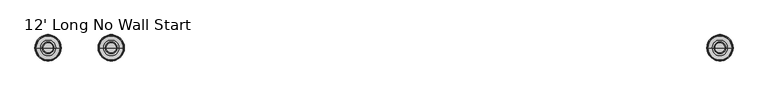
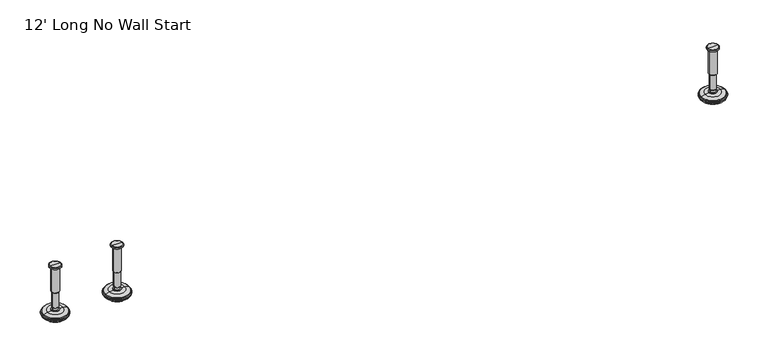
"""IFC4 building model written with IfcOpenShell, lengths in millimetres: furniture geometry, 12' Long No Wall Start."""

from ifc_helpers import new_model, si_unit, frame, origin, place, context, project, spatial, polyline, circle_curve, source, transform, mapped, element, save
from ifc_brep_helpers import plane_surface, cylinder_surface, revolved_surface, advanced_brep


def furniture_12_long_no_wall_start_4eddda02(model_context):
    return source(origin(), model_context, "Body", "AdvancedBrep", [
        advanced_brep(
        [(2495.7364323, 0.0, 101.6), (2504.7143537, 0.0, 101.6), (2486.7585109, 0.0, 101.6), (2509.8406722, 0.0, 0.0206943), (2495.7364323, 0.0, 0.0206943), (2481.6321924, 0.0, 0.0206943), (2514.718704, 0.0, 1.4194474), (2476.7541606, 0.0, 1.4194474), (2518.480619, 0.0, 4.7394056), (2472.9922456, 0.0, 4.7394056), (2519.5980686, 0.0, 7.5051905), (2471.874796, 0.0, 7.5051905), (2519.5980686, 0.0, 8.3065967), (2471.874796, 0.0, 8.3065967), (2518.7556654, 0.0, 9.8469348), (2472.7171992, 0.0, 9.8469348), (2517.6555228, 0.0, 10.8375077), (2473.8173418, 0.0, 10.8375077), (2510.3518276, 0.0, 12.7338946), (2481.121037, 0.0, 12.7338946), (2502.9336762, 0.0, 13.3828987), (2488.5391884, 0.0, 13.3828987), (2502.9336762, 0.0, 14.1772758), (2488.5391884, 0.0, 14.1772758), (2500.5368834, 0.0, 14.1772758), (2490.9359812, 0.0, 14.1772758), (2500.5368834, 0.0, 18.8098403), (2490.9359812, 0.0, 18.8098403), (2501.552736, 0.0, 19.8256929), (2489.9201286, 0.0, 19.8256929), (2501.552736, 0.0, 48.3056352), (2489.9201286, 0.0, 48.3056352), (2502.7762639, 0.0, 49.9293116), (2488.6966007, 0.0, 49.9293116), (2502.7762639, 0.0, 97.327223), (2488.6966007, 0.0, 97.327223), (2503.6573683, 0.0, 97.6479188), (2487.8154963, 0.0, 97.6479188), (2504.7063572, 0.0, 97.6479188), (2486.7665074, 0.0, 97.6479188), (2506.3713871, 0.0, 98.6092242), (2485.1014775, 0.0, 98.6092242), (2506.3713871, 0.0, 100.6043539), (2485.1014775, 0.0, 100.6043539)],
        [
            (0, 1),
            (1, 2, circle_curve(frame((2495.7364323, 0.0, 101.6), z_axis=(0.0, 0.0, 1.0), x_axis=(-1.0, 0.0, 0.0)), 8.9779214)),
            (2, 0),
            (2, 1, circle_curve(frame((2495.7364323, 0.0, 101.6), z_axis=(0.0, 0.0, 1.0), x_axis=(-1.0, 0.0, 0.0)), 8.9779214)),
            (3, 4),
            (4, 5),
            (5, 3, circle_curve(frame((2495.7364323, 0.0, 0.0206943), z_axis=(0.0, 0.0, -1.0), x_axis=(-1.0, 0.0, 0.0)), 14.1042399)),
            (3, 5, circle_curve(frame((2495.7364323, 0.0, 0.0206943), z_axis=(0.0, 0.0, -1.0), x_axis=(-1.0, 0.0, 0.0)), 14.1042399)),
            (6, 3),
            (5, 7),
            (7, 6, circle_curve(frame((2495.7364323, 0.0, 1.4194474), z_axis=(0.0, 0.0, -1.0), x_axis=(-1.0, 0.0, 0.0)), 18.9822717)),
            (6, 7, circle_curve(frame((2495.7364323, 0.0, 1.4194474), z_axis=(0.0, 0.0, -1.0), x_axis=(-1.0, 0.0, 0.0)), 18.9822717)),
            (8, 6),
            (7, 9),
            (9, 8, circle_curve(frame((2495.7364323, 0.0, 4.7394056), z_axis=(0.0, 0.0, -1.0), x_axis=(-1.0, 0.0, 0.0)), 22.7441867)),
            (8, 9, circle_curve(frame((2495.7364323, 0.0, 4.7394056), z_axis=(0.0, 0.0, -1.0), x_axis=(-1.0, 0.0, 0.0)), 22.7441867)),
            (10, 8),
            (9, 11),
            (11, 10, circle_curve(frame((2495.7364323, 0.0, 7.5051905), z_axis=(0.0, 0.0, -1.0), x_axis=(-1.0, 0.0, 0.0)), 23.8616363)),
            (10, 11, circle_curve(frame((2495.7364323, 0.0, 7.5051905), z_axis=(0.0, 0.0, -1.0), x_axis=(-1.0, 0.0, 0.0)), 23.8616363)),
            (12, 10),
            (11, 13),
            (13, 12, circle_curve(frame((2495.7364323, 0.0, 8.3065967), z_axis=(0.0, 0.0, -1.0), x_axis=(-1.0, 0.0, 0.0)), 23.8616363)),
            (12, 13, circle_curve(frame((2495.7364323, 0.0, 8.3065967), z_axis=(0.0, 0.0, -1.0), x_axis=(-1.0, 0.0, 0.0)), 23.8616363)),
            (14, 12),
            (13, 15),
            (15, 14, circle_curve(frame((2495.7364323, 0.0, 9.8469348), z_axis=(0.0, 0.0, -1.0), x_axis=(-1.0, 0.0, 0.0)), 23.0192331)),
            (14, 15, circle_curve(frame((2495.7364323, 0.0, 9.8469348), z_axis=(0.0, 0.0, -1.0), x_axis=(-1.0, 0.0, 0.0)), 23.0192331)),
            (16, 14),
            (15, 17),
            (17, 16, circle_curve(frame((2495.7364323, 0.0, 10.8375077), z_axis=(0.0, 0.0, -1.0), x_axis=(-1.0, 0.0, 0.0)), 21.9190905)),
            (16, 17, circle_curve(frame((2495.7364323, 0.0, 10.8375077), z_axis=(0.0, 0.0, -1.0), x_axis=(-1.0, 0.0, 0.0)), 21.9190905)),
            (18, 16),
            (17, 19),
            (19, 18, circle_curve(frame((2495.7364323, 0.0, 12.7338946), z_axis=(0.0, 0.0, -1.0), x_axis=(-1.0, 0.0, 0.0)), 14.6153953)),
            (18, 19, circle_curve(frame((2495.7364323, 0.0, 12.7338946), z_axis=(0.0, 0.0, -1.0), x_axis=(-1.0, 0.0, 0.0)), 14.6153953)),
            (20, 18),
            (19, 21),
            (21, 20, circle_curve(frame((2495.7364323, 0.0, 13.3828987), z_axis=(0.0, 0.0, -1.0), x_axis=(-1.0, 0.0, 0.0)), 7.1972439)),
            (20, 21, circle_curve(frame((2495.7364323, 0.0, 13.3828987), z_axis=(0.0, 0.0, -1.0), x_axis=(-1.0, 0.0, 0.0)), 7.1972439)),
            (22, 20),
            (21, 23),
            (23, 22, circle_curve(frame((2495.7364323, 0.0, 14.1772758), z_axis=(0.0, 0.0, -1.0), x_axis=(-1.0, 0.0, 0.0)), 7.1972439)),
            (22, 23, circle_curve(frame((2495.7364323, 0.0, 14.1772758), z_axis=(0.0, 0.0, -1.0), x_axis=(-1.0, 0.0, 0.0)), 7.1972439)),
            (24, 22),
            (23, 25),
            (25, 24, circle_curve(frame((2495.7364323, 0.0, 14.1772758), z_axis=(0.0, 0.0, -1.0), x_axis=(-1.0, 0.0, 0.0)), 4.8004511)),
            (24, 25, circle_curve(frame((2495.7364323, 0.0, 14.1772758), z_axis=(0.0, 0.0, -1.0), x_axis=(-1.0, 0.0, 0.0)), 4.8004511)),
            (26, 24),
            (25, 27),
            (27, 26, circle_curve(frame((2495.7364323, 0.0, 18.8098403), z_axis=(0.0, 0.0, -1.0), x_axis=(-1.0, 0.0, 0.0)), 4.8004511)),
            (26, 27, circle_curve(frame((2495.7364323, 0.0, 18.8098403), z_axis=(0.0, 0.0, -1.0), x_axis=(-1.0, 0.0, 0.0)), 4.8004511)),
            (28, 26),
            (27, 29),
            (29, 28, circle_curve(frame((2495.7364323, 0.0, 19.8256929), z_axis=(0.0, 0.0, -1.0), x_axis=(-1.0, 0.0, 0.0)), 5.8163037)),
            (28, 29, circle_curve(frame((2495.7364323, 0.0, 19.8256929), z_axis=(0.0, 0.0, -1.0), x_axis=(-1.0, 0.0, 0.0)), 5.8163037)),
            (30, 28),
            (29, 31),
            (31, 30, circle_curve(frame((2495.7364323, 0.0, 48.3056352), z_axis=(0.0, 0.0, -1.0), x_axis=(-1.0, 0.0, 0.0)), 5.8163037)),
            (30, 31, circle_curve(frame((2495.7364323, 0.0, 48.3056352), z_axis=(0.0, 0.0, -1.0), x_axis=(-1.0, 0.0, 0.0)), 5.8163037)),
            (32, 30),
            (31, 33),
            (33, 32, circle_curve(frame((2495.7364323, 0.0, 49.9293116), z_axis=(0.0, 0.0, -1.0), x_axis=(-1.0, 0.0, 0.0)), 7.0398316)),
            (32, 33, circle_curve(frame((2495.7364323, 0.0, 49.9293116), z_axis=(0.0, 0.0, -1.0), x_axis=(-1.0, 0.0, 0.0)), 7.0398316)),
            (34, 32),
            (33, 35),
            (35, 34, circle_curve(frame((2495.7364323, 0.0, 97.327223), z_axis=(0.0, 0.0, -1.0), x_axis=(-1.0, 0.0, 0.0)), 7.0398316)),
            (34, 35, circle_curve(frame((2495.7364323, 0.0, 97.327223), z_axis=(0.0, 0.0, -1.0), x_axis=(-1.0, 0.0, 0.0)), 7.0398316)),
            (36, 34),
            (35, 37),
            (37, 36, circle_curve(frame((2495.7364323, 0.0, 97.6479188), z_axis=(0.0, 0.0, -1.0), x_axis=(-1.0, 0.0, 0.0)), 7.920936)),
            (36, 37, circle_curve(frame((2495.7364323, 0.0, 97.6479188), z_axis=(0.0, 0.0, -1.0), x_axis=(-1.0, 0.0, 0.0)), 7.920936)),
            (38, 36),
            (37, 39),
            (39, 38, circle_curve(frame((2495.7364323, 0.0, 97.6479188), z_axis=(0.0, 0.0, -1.0), x_axis=(-1.0, 0.0, 0.0)), 8.9699249)),
            (38, 39, circle_curve(frame((2495.7364323, 0.0, 97.6479188), z_axis=(0.0, 0.0, -1.0), x_axis=(-1.0, 0.0, 0.0)), 8.9699249)),
            (40, 38),
            (39, 41),
            (41, 40, circle_curve(frame((2495.7364323, 0.0, 98.6092242), z_axis=(0.0, 0.0, -1.0), x_axis=(-1.0, 0.0, 0.0)), 10.6349548)),
            (40, 41, circle_curve(frame((2495.7364323, 0.0, 98.6092242), z_axis=(0.0, 0.0, -1.0), x_axis=(-1.0, 0.0, 0.0)), 10.6349548)),
            (42, 40),
            (41, 43),
            (43, 42, circle_curve(frame((2495.7364323, 0.0, 100.6043539), z_axis=(0.0, 0.0, -1.0), x_axis=(-1.0, 0.0, 0.0)), 10.6349548)),
            (42, 43, circle_curve(frame((2495.7364323, 0.0, 100.6043539), z_axis=(0.0, 0.0, -1.0), x_axis=(-1.0, 0.0, 0.0)), 10.6349548)),
            (1, 42),
            (43, 2),
        ],
        [
            plane_surface(frame((2495.7364323, 0.0, 101.6), z_axis=(0.0, 0.0, 1.0), x_axis=(-1.0, 0.0, 0.0))),
            plane_surface(frame((2495.7364323, 0.0, 0.0206943), z_axis=(0.0, 0.0, -1.0), x_axis=(-1.0, 0.0, 0.0))),
            revolved_surface(polyline([(2481.6321924, 0.0, 0.0206943), (2476.7541606, 0.0, 1.4194474)]), (2495.7364323, 0.0, 101.6), (0.0, 0.0, 1.0)),
            revolved_surface(polyline([(2476.7541606, 0.0, 1.4194474), (2472.9922456, 0.0, 4.7394056)]), (2495.7364323, 0.0, 101.6), (0.0, 0.0, 1.0)),
            revolved_surface(polyline([(2472.9922456, 0.0, 4.7394056), (2471.874796, 0.0, 7.5051905)]), (2495.7364323, 0.0, 101.6), (0.0, 0.0, 1.0)),
            cylinder_surface(frame((2495.7364323, 0.0, 101.6), z_axis=(0.0, 0.0, 1.0), x_axis=(-1.0, 0.0, 0.0)), 23.8616363),
            revolved_surface(polyline([(2471.874796, 0.0, 8.3065967), (2472.7171992, 0.0, 9.8469348)]), (2495.7364323, 0.0, 101.6), (0.0, 0.0, 1.0)),
            revolved_surface(polyline([(2472.7171992, 0.0, 9.8469348), (2473.8173418, 0.0, 10.8375077)]), (2495.7364323, 0.0, 101.6), (0.0, 0.0, 1.0)),
            revolved_surface(polyline([(2473.8173418, 0.0, 10.8375077), (2481.121037, 0.0, 12.7338946)]), (2495.7364323, 0.0, 101.6), (0.0, 0.0, 1.0)),
            revolved_surface(polyline([(2481.121037, 0.0, 12.7338946), (2488.5391884, 0.0, 13.3828987)]), (2495.7364323, 0.0, 101.6), (0.0, 0.0, 1.0)),
            cylinder_surface(frame((2495.7364323, 0.0, 101.6), z_axis=(0.0, 0.0, 1.0), x_axis=(-1.0, 0.0, 0.0)), 7.1972439),
            plane_surface(frame((2495.7364323, 0.0, 14.1772758), z_axis=(0.0, 0.0, 1.0), x_axis=(-1.0, 0.0, 0.0))),
            cylinder_surface(frame((2495.7364323, 0.0, 101.6), z_axis=(0.0, 0.0, 1.0), x_axis=(-1.0, 0.0, 0.0)), 4.8004511),
            revolved_surface(polyline([(2490.9359812, 0.0, 18.8098403), (2489.9201286, 0.0, 19.8256929)]), (2495.7364323, 0.0, 101.6), (0.0, 0.0, 1.0)),
            cylinder_surface(frame((2495.7364323, 0.0, 101.6), z_axis=(0.0, 0.0, 1.0), x_axis=(-1.0, 0.0, 0.0)), 5.8163037),
            revolved_surface(polyline([(2489.9201286, 0.0, 48.3056352), (2488.6966007, 0.0, 49.9293116)]), (2495.7364323, 0.0, 101.6), (0.0, 0.0, 1.0)),
            cylinder_surface(frame((2495.7364323, 0.0, 101.6), z_axis=(0.0, 0.0, 1.0), x_axis=(-1.0, 0.0, 0.0)), 7.0398316),
            revolved_surface(polyline([(2488.6966007, 0.0, 97.327223), (2487.8154963, 0.0, 97.6479188)]), (2495.7364323, 0.0, 101.6), (0.0, 0.0, 1.0)),
            plane_surface(frame((2495.7364323, 0.0, 97.6479188), z_axis=(0.0, 0.0, -1.0), x_axis=(-1.0, 0.0, 0.0))),
            revolved_surface(polyline([(2486.7665074, 0.0, 97.6479188), (2485.1014775, 0.0, 98.6092242)]), (2495.7364323, 0.0, 101.6), (0.0, 0.0, 1.0)),
            cylinder_surface(frame((2495.7364323, 0.0, 101.6), z_axis=(0.0, 0.0, 1.0), x_axis=(-1.0, 0.0, 0.0)), 10.6349548),
            revolved_surface(polyline([(2485.1014775, 0.0, 100.6043539), (2486.7585109, 0.0, 101.6)]), (2495.7364323, 0.0, 101.6), (0.0, 0.0, 1.0)),
        ],
        [
            (0, [[1, 2, 3]]),
            (0, [[-3, 4, -1]]),
            (1, [[5, 6, 7]]),
            (1, [[-6, -5, 8]]),
            (2, [[9, -7, 10, 11]]),
            (2, [[-10, -8, -9, 12]]),
            (3, [[13, -11, 14, 15]]),
            (3, [[-14, -12, -13, 16]]),
            (4, [[17, -15, 18, 19]]),
            (4, [[-18, -16, -17, 20]]),
            (5, [[21, -19, 22, 23]]),
            (5, [[-22, -20, -21, 24]]),
            (6, [[25, -23, 26, 27]]),
            (6, [[-26, -24, -25, 28]]),
            (7, [[29, -27, 30, 31]]),
            (7, [[-30, -28, -29, 32]]),
            (8, [[33, -31, 34, 35]]),
            (8, [[-34, -32, -33, 36]]),
            (9, [[37, -35, 38, 39]]),
            (9, [[-38, -36, -37, 40]]),
            (10, [[41, -39, 42, 43]]),
            (10, [[-42, -40, -41, 44]]),
            (11, [[45, -43, 46, 47]]),
            (11, [[-46, -44, -45, 48]]),
            (12, [[49, -47, 50, 51]]),
            (12, [[-50, -48, -49, 52]]),
            (13, [[53, -51, 54, 55]]),
            (13, [[-54, -52, -53, 56]]),
            (14, [[57, -55, 58, 59]]),
            (14, [[-58, -56, -57, 60]]),
            (15, [[61, -59, 62, 63]]),
            (15, [[-62, -60, -61, 64]]),
            (16, [[65, -63, 66, 67]]),
            (16, [[-66, -64, -65, 68]]),
            (17, [[69, -67, 70, 71]]),
            (17, [[-70, -68, -69, 72]]),
            (18, [[73, -71, 74, 75]]),
            (18, [[-74, -72, -73, 76]]),
            (19, [[77, -75, 78, 79]]),
            (19, [[-78, -76, -77, 80]]),
            (20, [[81, -79, 82, 83]]),
            (20, [[-82, -80, -81, 84]]),
            (21, [[85, -83, 86, -2]]),
            (21, [[-86, -84, -85, -4]]),
        ],
    ),
        advanced_brep(
        [(2381.0635677, 0.0, 101.6), (2390.0414891, 0.0, 101.6), (2372.0856463, 0.0, 101.6), (2366.9593278, 0.0, 0.0206943), (2395.1678076, 0.0, 0.0206943), (2381.0635677, 0.0, 0.0206943), (2362.081296, 0.0, 1.4194474), (2400.0458394, 0.0, 1.4194474), (2358.319381, 0.0, 4.7394056), (2403.8077544, 0.0, 4.7394056), (2357.2019314, 0.0, 7.5051905), (2404.925204, 0.0, 7.5051905), (2357.2019314, 0.0, 8.3065967), (2404.925204, 0.0, 8.3065967), (2358.0443346, 0.0, 9.8469348), (2404.0828008, 0.0, 9.8469348), (2359.1444772, 0.0, 10.8375077), (2402.9826582, 0.0, 10.8375077), (2366.4481724, 0.0, 12.7338946), (2395.678963, 0.0, 12.7338946), (2373.8663238, 0.0, 13.3828987), (2388.2608116, 0.0, 13.3828987), (2373.8663238, 0.0, 14.1772758), (2388.2608116, 0.0, 14.1772758), (2376.2631166, 0.0, 14.1772758), (2385.8640188, 0.0, 14.1772758), (2376.2631166, 0.0, 18.8098403), (2385.8640188, 0.0, 18.8098403), (2375.247264, 0.0, 19.8256929), (2386.8798714, 0.0, 19.8256929), (2375.247264, 0.0, 48.3056352), (2386.8798714, 0.0, 48.3056352), (2374.0237361, 0.0, 49.9293116), (2388.1033993, 0.0, 49.9293116), (2374.0237361, 0.0, 97.327223), (2388.1033993, 0.0, 97.327223), (2373.1426317, 0.0, 97.6479188), (2388.9845037, 0.0, 97.6479188), (2372.0936428, 0.0, 97.6479188), (2390.0334926, 0.0, 97.6479188), (2370.4286129, 0.0, 98.6092242), (2391.6985225, 0.0, 98.6092242), (2370.4286129, 0.0, 100.6043539), (2391.6985225, 0.0, 100.6043539)],
        [
            (0, 1),
            (1, 2, circle_curve(frame((2381.0635677, 0.0, 101.6), z_axis=(0.0, 0.0, 1.0), x_axis=(1.0, 0.0, 0.0)), 8.9779214)),
            (2, 0),
            (2, 1, circle_curve(frame((2381.0635677, 0.0, 101.6), z_axis=(0.0, 0.0, 1.0), x_axis=(1.0, 0.0, 0.0)), 8.9779214)),
            (3, 4, circle_curve(frame((2381.0635677, 0.0, 0.0206943), z_axis=(0.0, 0.0, -1.0), x_axis=(1.0, 0.0, 0.0)), 14.1042399)),
            (4, 5),
            (5, 3),
            (4, 3, circle_curve(frame((2381.0635677, 0.0, 0.0206943), z_axis=(0.0, 0.0, -1.0), x_axis=(1.0, 0.0, 0.0)), 14.1042399)),
            (6, 7, circle_curve(frame((2381.0635677, 0.0, 1.4194474), z_axis=(0.0, 0.0, -1.0), x_axis=(1.0, 0.0, 0.0)), 18.9822717)),
            (7, 4),
            (3, 6),
            (7, 6, circle_curve(frame((2381.0635677, 0.0, 1.4194474), z_axis=(0.0, 0.0, -1.0), x_axis=(1.0, 0.0, 0.0)), 18.9822717)),
            (8, 9, circle_curve(frame((2381.0635677, 0.0, 4.7394056), z_axis=(0.0, 0.0, -1.0), x_axis=(1.0, 0.0, 0.0)), 22.7441867)),
            (9, 7),
            (6, 8),
            (9, 8, circle_curve(frame((2381.0635677, 0.0, 4.7394056), z_axis=(0.0, 0.0, -1.0), x_axis=(1.0, 0.0, 0.0)), 22.7441867)),
            (10, 11, circle_curve(frame((2381.0635677, 0.0, 7.5051905), z_axis=(0.0, 0.0, -1.0), x_axis=(1.0, 0.0, 0.0)), 23.8616363)),
            (11, 9),
            (8, 10),
            (11, 10, circle_curve(frame((2381.0635677, 0.0, 7.5051905), z_axis=(0.0, 0.0, -1.0), x_axis=(1.0, 0.0, 0.0)), 23.8616363)),
            (12, 13, circle_curve(frame((2381.0635677, 0.0, 8.3065967), z_axis=(0.0, 0.0, -1.0), x_axis=(1.0, 0.0, 0.0)), 23.8616363)),
            (13, 11),
            (10, 12),
            (13, 12, circle_curve(frame((2381.0635677, 0.0, 8.3065967), z_axis=(0.0, 0.0, -1.0), x_axis=(1.0, 0.0, 0.0)), 23.8616363)),
            (14, 15, circle_curve(frame((2381.0635677, 0.0, 9.8469348), z_axis=(0.0, 0.0, -1.0), x_axis=(1.0, 0.0, 0.0)), 23.0192331)),
            (15, 13),
            (12, 14),
            (15, 14, circle_curve(frame((2381.0635677, 0.0, 9.8469348), z_axis=(0.0, 0.0, -1.0), x_axis=(1.0, 0.0, 0.0)), 23.0192331)),
            (16, 17, circle_curve(frame((2381.0635677, 0.0, 10.8375077), z_axis=(0.0, 0.0, -1.0), x_axis=(1.0, 0.0, 0.0)), 21.9190905)),
            (17, 15),
            (14, 16),
            (17, 16, circle_curve(frame((2381.0635677, 0.0, 10.8375077), z_axis=(0.0, 0.0, -1.0), x_axis=(1.0, 0.0, 0.0)), 21.9190905)),
            (18, 19, circle_curve(frame((2381.0635677, 0.0, 12.7338946), z_axis=(0.0, 0.0, -1.0), x_axis=(1.0, 0.0, 0.0)), 14.6153953)),
            (19, 17),
            (16, 18),
            (19, 18, circle_curve(frame((2381.0635677, 0.0, 12.7338946), z_axis=(0.0, 0.0, -1.0), x_axis=(1.0, 0.0, 0.0)), 14.6153953)),
            (20, 21, circle_curve(frame((2381.0635677, 0.0, 13.3828987), z_axis=(0.0, 0.0, -1.0), x_axis=(1.0, 0.0, 0.0)), 7.1972439)),
            (21, 19),
            (18, 20),
            (21, 20, circle_curve(frame((2381.0635677, 0.0, 13.3828987), z_axis=(0.0, 0.0, -1.0), x_axis=(1.0, 0.0, 0.0)), 7.1972439)),
            (22, 23, circle_curve(frame((2381.0635677, 0.0, 14.1772758), z_axis=(0.0, 0.0, -1.0), x_axis=(1.0, 0.0, 0.0)), 7.1972439)),
            (23, 21),
            (20, 22),
            (23, 22, circle_curve(frame((2381.0635677, 0.0, 14.1772758), z_axis=(0.0, 0.0, -1.0), x_axis=(1.0, 0.0, 0.0)), 7.1972439)),
            (24, 25, circle_curve(frame((2381.0635677, 0.0, 14.1772758), z_axis=(0.0, 0.0, -1.0), x_axis=(1.0, 0.0, 0.0)), 4.8004511)),
            (25, 23),
            (22, 24),
            (25, 24, circle_curve(frame((2381.0635677, 0.0, 14.1772758), z_axis=(0.0, 0.0, -1.0), x_axis=(1.0, 0.0, 0.0)), 4.8004511)),
            (26, 27, circle_curve(frame((2381.0635677, 0.0, 18.8098403), z_axis=(0.0, 0.0, -1.0), x_axis=(1.0, 0.0, 0.0)), 4.8004511)),
            (27, 25),
            (24, 26),
            (27, 26, circle_curve(frame((2381.0635677, 0.0, 18.8098403), z_axis=(0.0, 0.0, -1.0), x_axis=(1.0, 0.0, 0.0)), 4.8004511)),
            (28, 29, circle_curve(frame((2381.0635677, 0.0, 19.8256929), z_axis=(0.0, 0.0, -1.0), x_axis=(1.0, 0.0, 0.0)), 5.8163037)),
            (29, 27),
            (26, 28),
            (29, 28, circle_curve(frame((2381.0635677, 0.0, 19.8256929), z_axis=(0.0, 0.0, -1.0), x_axis=(1.0, 0.0, 0.0)), 5.8163037)),
            (30, 31, circle_curve(frame((2381.0635677, 0.0, 48.3056352), z_axis=(0.0, 0.0, -1.0), x_axis=(1.0, 0.0, 0.0)), 5.8163037)),
            (31, 29),
            (28, 30),
            (31, 30, circle_curve(frame((2381.0635677, 0.0, 48.3056352), z_axis=(0.0, 0.0, -1.0), x_axis=(1.0, 0.0, 0.0)), 5.8163037)),
            (32, 33, circle_curve(frame((2381.0635677, 0.0, 49.9293116), z_axis=(0.0, 0.0, -1.0), x_axis=(1.0, 0.0, 0.0)), 7.0398316)),
            (33, 31),
            (30, 32),
            (33, 32, circle_curve(frame((2381.0635677, 0.0, 49.9293116), z_axis=(0.0, 0.0, -1.0), x_axis=(1.0, 0.0, 0.0)), 7.0398316)),
            (34, 35, circle_curve(frame((2381.0635677, 0.0, 97.327223), z_axis=(0.0, 0.0, -1.0), x_axis=(1.0, 0.0, 0.0)), 7.0398316)),
            (35, 33),
            (32, 34),
            (35, 34, circle_curve(frame((2381.0635677, 0.0, 97.327223), z_axis=(0.0, 0.0, -1.0), x_axis=(1.0, 0.0, 0.0)), 7.0398316)),
            (36, 37, circle_curve(frame((2381.0635677, 0.0, 97.6479188), z_axis=(0.0, 0.0, -1.0), x_axis=(1.0, 0.0, 0.0)), 7.920936)),
            (37, 35),
            (34, 36),
            (37, 36, circle_curve(frame((2381.0635677, 0.0, 97.6479188), z_axis=(0.0, 0.0, -1.0), x_axis=(1.0, 0.0, 0.0)), 7.920936)),
            (38, 39, circle_curve(frame((2381.0635677, 0.0, 97.6479188), z_axis=(0.0, 0.0, -1.0), x_axis=(1.0, 0.0, 0.0)), 8.9699249)),
            (39, 37),
            (36, 38),
            (39, 38, circle_curve(frame((2381.0635677, 0.0, 97.6479188), z_axis=(0.0, 0.0, -1.0), x_axis=(1.0, 0.0, 0.0)), 8.9699249)),
            (40, 41, circle_curve(frame((2381.0635677, 0.0, 98.6092242), z_axis=(0.0, 0.0, -1.0), x_axis=(1.0, 0.0, 0.0)), 10.6349548)),
            (41, 39),
            (38, 40),
            (41, 40, circle_curve(frame((2381.0635677, 0.0, 98.6092242), z_axis=(0.0, 0.0, -1.0), x_axis=(1.0, 0.0, 0.0)), 10.6349548)),
            (42, 43, circle_curve(frame((2381.0635677, 0.0, 100.6043539), z_axis=(0.0, 0.0, -1.0), x_axis=(1.0, 0.0, 0.0)), 10.6349548)),
            (43, 41),
            (40, 42),
            (43, 42, circle_curve(frame((2381.0635677, 0.0, 100.6043539), z_axis=(0.0, 0.0, -1.0), x_axis=(1.0, 0.0, 0.0)), 10.6349548)),
            (1, 43),
            (42, 2),
        ],
        [
            plane_surface(frame((2381.0635677, 0.0, 101.6), z_axis=(0.0, 0.0, 1.0), x_axis=(1.0, 0.0, 0.0))),
            plane_surface(frame((2381.0635677, 0.0, 0.0206943), z_axis=(0.0, 0.0, -1.0), x_axis=(1.0, 0.0, 0.0))),
            revolved_surface(polyline([(2395.1678076, 0.0, 0.0206943), (2400.0458394, 0.0, 1.4194474)]), (2381.0635677, 0.0, 101.6), (0.0, 0.0, 1.0)),
            revolved_surface(polyline([(2400.0458394, 0.0, 1.4194474), (2403.8077544, 0.0, 4.7394056)]), (2381.0635677, 0.0, 101.6), (0.0, 0.0, 1.0)),
            revolved_surface(polyline([(2403.8077544, 0.0, 4.7394056), (2404.925204, 0.0, 7.5051905)]), (2381.0635677, 0.0, 101.6), (0.0, 0.0, 1.0)),
            cylinder_surface(frame((2381.0635677, 0.0, 101.6), z_axis=(0.0, 0.0, 1.0), x_axis=(1.0, 0.0, 0.0)), 23.8616363),
            revolved_surface(polyline([(2404.925204, 0.0, 8.3065967), (2404.0828008, 0.0, 9.8469348)]), (2381.0635677, 0.0, 101.6), (0.0, 0.0, 1.0)),
            revolved_surface(polyline([(2404.0828008, 0.0, 9.8469348), (2402.9826582, 0.0, 10.8375077)]), (2381.0635677, 0.0, 101.6), (0.0, 0.0, 1.0)),
            revolved_surface(polyline([(2402.9826582, 0.0, 10.8375077), (2395.678963, 0.0, 12.7338946)]), (2381.0635677, 0.0, 101.6), (0.0, 0.0, 1.0)),
            revolved_surface(polyline([(2395.678963, 0.0, 12.7338946), (2388.2608116, 0.0, 13.3828987)]), (2381.0635677, 0.0, 101.6), (0.0, 0.0, 1.0)),
            cylinder_surface(frame((2381.0635677, 0.0, 101.6), z_axis=(0.0, 0.0, 1.0), x_axis=(1.0, 0.0, 0.0)), 7.1972439),
            plane_surface(frame((2381.0635677, 0.0, 14.1772758), z_axis=(0.0, 0.0, 1.0), x_axis=(1.0, 0.0, 0.0))),
            cylinder_surface(frame((2381.0635677, 0.0, 101.6), z_axis=(0.0, 0.0, 1.0), x_axis=(1.0, 0.0, 0.0)), 4.8004511),
            revolved_surface(polyline([(2385.8640188, 0.0, 18.8098403), (2386.8798714, 0.0, 19.8256929)]), (2381.0635677, 0.0, 101.6), (0.0, 0.0, 1.0)),
            cylinder_surface(frame((2381.0635677, 0.0, 101.6), z_axis=(0.0, 0.0, 1.0), x_axis=(1.0, 0.0, 0.0)), 5.8163037),
            revolved_surface(polyline([(2386.8798714, 0.0, 48.3056352), (2388.1033993, 0.0, 49.9293116)]), (2381.0635677, 0.0, 101.6), (0.0, 0.0, 1.0)),
            cylinder_surface(frame((2381.0635677, 0.0, 101.6), z_axis=(0.0, 0.0, 1.0), x_axis=(1.0, 0.0, 0.0)), 7.0398316),
            revolved_surface(polyline([(2388.1033993, 0.0, 97.327223), (2388.9845037, 0.0, 97.6479188)]), (2381.0635677, 0.0, 101.6), (0.0, 0.0, 1.0)),
            plane_surface(frame((2381.0635677, 0.0, 97.6479188), z_axis=(0.0, 0.0, -1.0), x_axis=(1.0, 0.0, 0.0))),
            revolved_surface(polyline([(2390.0334926, 0.0, 97.6479188), (2391.6985225, 0.0, 98.6092242)]), (2381.0635677, 0.0, 101.6), (0.0, 0.0, 1.0)),
            cylinder_surface(frame((2381.0635677, 0.0, 101.6), z_axis=(0.0, 0.0, 1.0), x_axis=(1.0, 0.0, 0.0)), 10.6349548),
            revolved_surface(polyline([(2391.6985225, 0.0, 100.6043539), (2390.0414891, 0.0, 101.6)]), (2381.0635677, 0.0, 101.6), (0.0, 0.0, 1.0)),
        ],
        [
            (0, [[1, 2, 3]]),
            (0, [[-3, 4, -1]]),
            (1, [[5, 6, 7]]),
            (1, [[8, -7, -6]]),
            (2, [[9, 10, -5, 11]]),
            (2, [[12, -11, -8, -10]]),
            (3, [[13, 14, -9, 15]]),
            (3, [[16, -15, -12, -14]]),
            (4, [[17, 18, -13, 19]]),
            (4, [[20, -19, -16, -18]]),
            (5, [[21, 22, -17, 23]]),
            (5, [[24, -23, -20, -22]]),
            (6, [[25, 26, -21, 27]]),
            (6, [[28, -27, -24, -26]]),
            (7, [[29, 30, -25, 31]]),
            (7, [[32, -31, -28, -30]]),
            (8, [[33, 34, -29, 35]]),
            (8, [[36, -35, -32, -34]]),
            (9, [[37, 38, -33, 39]]),
            (9, [[40, -39, -36, -38]]),
            (10, [[41, 42, -37, 43]]),
            (10, [[44, -43, -40, -42]]),
            (11, [[45, 46, -41, 47]]),
            (11, [[48, -47, -44, -46]]),
            (12, [[49, 50, -45, 51]]),
            (12, [[52, -51, -48, -50]]),
            (13, [[53, 54, -49, 55]]),
            (13, [[56, -55, -52, -54]]),
            (14, [[57, 58, -53, 59]]),
            (14, [[60, -59, -56, -58]]),
            (15, [[61, 62, -57, 63]]),
            (15, [[64, -63, -60, -62]]),
            (16, [[65, 66, -61, 67]]),
            (16, [[68, -67, -64, -66]]),
            (17, [[69, 70, -65, 71]]),
            (17, [[72, -71, -68, -70]]),
            (18, [[73, 74, -69, 75]]),
            (18, [[76, -75, -72, -74]]),
            (19, [[77, 78, -73, 79]]),
            (19, [[80, -79, -76, -78]]),
            (20, [[81, 82, -77, 83]]),
            (20, [[84, -83, -80, -82]]),
            (21, [[-2, 85, -81, 86]]),
            (21, [[-4, -86, -84, -85]]),
        ],
    ),
        advanced_brep(
        [(3600.5372135, 0.0, 101.6), (3609.515135, 0.0, 101.6), (3591.5592921, 0.0, 101.6), (3614.6414535, 0.0, 0.0206943), (3600.5372135, 0.0, 0.0206943), (3586.4329736, 0.0, 0.0206943), (3619.5194852, 0.0, 1.4194474), (3581.5549419, 0.0, 1.4194474), (3623.2814003, 0.0, 4.7394056), (3577.7930268, 0.0, 4.7394056), (3624.3988499, 0.0, 7.5051905), (3576.6755772, 0.0, 7.5051905), (3624.3988499, 0.0, 8.3065967), (3576.6755772, 0.0, 8.3065967), (3623.5564467, 0.0, 9.8469348), (3577.5179804, 0.0, 9.8469348), (3622.456304, 0.0, 10.8375077), (3578.6181231, 0.0, 10.8375077), (3615.1526088, 0.0, 12.7338946), (3585.9218183, 0.0, 12.7338946), (3607.7344574, 0.0, 13.3828987), (3593.3399696, 0.0, 13.3828987), (3607.7344574, 0.0, 14.1772758), (3593.3399696, 0.0, 14.1772758), (3605.3376646, 0.0, 14.1772758), (3595.7367625, 0.0, 14.1772758), (3605.3376646, 0.0, 18.8098403), (3595.7367625, 0.0, 18.8098403), (3606.3535173, 0.0, 19.8256929), (3594.7209098, 0.0, 19.8256929), (3606.3535173, 0.0, 48.3056352), (3594.7209098, 0.0, 48.3056352), (3607.5770452, 0.0, 49.9293116), (3593.4973819, 0.0, 49.9293116), (3607.5770452, 0.0, 97.327223), (3593.4973819, 0.0, 97.327223), (3608.4581495, 0.0, 97.6479188), (3592.6162776, 0.0, 97.6479188), (3609.5071385, 0.0, 97.6479188), (3591.5672886, 0.0, 97.6479188), (3611.1721684, 0.0, 98.6092242), (3589.9022587, 0.0, 98.6092242), (3611.1721684, 0.0, 100.6043539), (3589.9022587, 0.0, 100.6043539)],
        [
            (0, 1),
            (1, 2, circle_curve(frame((3600.5372135, 0.0, 101.6), z_axis=(0.0, 0.0, 1.0), x_axis=(-1.0, 0.0, 0.0)), 8.9779214)),
            (2, 0),
            (2, 1, circle_curve(frame((3600.5372135, 0.0, 101.6), z_axis=(0.0, 0.0, 1.0), x_axis=(-1.0, 0.0, 0.0)), 8.9779214)),
            (3, 4),
            (4, 5),
            (5, 3, circle_curve(frame((3600.5372135, 0.0, 0.0206943), z_axis=(0.0, 0.0, -1.0), x_axis=(-1.0, 0.0, 0.0)), 14.1042399)),
            (3, 5, circle_curve(frame((3600.5372135, 0.0, 0.0206943), z_axis=(0.0, 0.0, -1.0), x_axis=(-1.0, 0.0, 0.0)), 14.1042399)),
            (6, 3),
            (5, 7),
            (7, 6, circle_curve(frame((3600.5372135, 0.0, 1.4194474), z_axis=(0.0, 0.0, -1.0), x_axis=(-1.0, 0.0, 0.0)), 18.9822717)),
            (6, 7, circle_curve(frame((3600.5372135, 0.0, 1.4194474), z_axis=(0.0, 0.0, -1.0), x_axis=(-1.0, 0.0, 0.0)), 18.9822717)),
            (8, 6),
            (7, 9),
            (9, 8, circle_curve(frame((3600.5372135, 0.0, 4.7394056), z_axis=(0.0, 0.0, -1.0), x_axis=(-1.0, 0.0, 0.0)), 22.7441867)),
            (8, 9, circle_curve(frame((3600.5372135, 0.0, 4.7394056), z_axis=(0.0, 0.0, -1.0), x_axis=(-1.0, 0.0, 0.0)), 22.7441867)),
            (10, 8),
            (9, 11),
            (11, 10, circle_curve(frame((3600.5372135, 0.0, 7.5051905), z_axis=(0.0, 0.0, -1.0), x_axis=(-1.0, 0.0, 0.0)), 23.8616363)),
            (10, 11, circle_curve(frame((3600.5372135, 0.0, 7.5051905), z_axis=(0.0, 0.0, -1.0), x_axis=(-1.0, 0.0, 0.0)), 23.8616363)),
            (12, 10),
            (11, 13),
            (13, 12, circle_curve(frame((3600.5372135, 0.0, 8.3065967), z_axis=(0.0, 0.0, -1.0), x_axis=(-1.0, 0.0, 0.0)), 23.8616363)),
            (12, 13, circle_curve(frame((3600.5372135, 0.0, 8.3065967), z_axis=(0.0, 0.0, -1.0), x_axis=(-1.0, 0.0, 0.0)), 23.8616363)),
            (14, 12),
            (13, 15),
            (15, 14, circle_curve(frame((3600.5372135, 0.0, 9.8469348), z_axis=(0.0, 0.0, -1.0), x_axis=(-1.0, 0.0, 0.0)), 23.0192331)),
            (14, 15, circle_curve(frame((3600.5372135, 0.0, 9.8469348), z_axis=(0.0, 0.0, -1.0), x_axis=(-1.0, 0.0, 0.0)), 23.0192331)),
            (16, 14),
            (15, 17),
            (17, 16, circle_curve(frame((3600.5372135, 0.0, 10.8375077), z_axis=(0.0, 0.0, -1.0), x_axis=(-1.0, 0.0, 0.0)), 21.9190905)),
            (16, 17, circle_curve(frame((3600.5372135, 0.0, 10.8375077), z_axis=(0.0, 0.0, -1.0), x_axis=(-1.0, 0.0, 0.0)), 21.9190905)),
            (18, 16),
            (17, 19),
            (19, 18, circle_curve(frame((3600.5372135, 0.0, 12.7338946), z_axis=(0.0, 0.0, -1.0), x_axis=(-1.0, 0.0, 0.0)), 14.6153953)),
            (18, 19, circle_curve(frame((3600.5372135, 0.0, 12.7338946), z_axis=(0.0, 0.0, -1.0), x_axis=(-1.0, 0.0, 0.0)), 14.6153953)),
            (20, 18),
            (19, 21),
            (21, 20, circle_curve(frame((3600.5372135, 0.0, 13.3828987), z_axis=(0.0, 0.0, -1.0), x_axis=(-1.0, 0.0, 0.0)), 7.1972439)),
            (20, 21, circle_curve(frame((3600.5372135, 0.0, 13.3828987), z_axis=(0.0, 0.0, -1.0), x_axis=(-1.0, 0.0, 0.0)), 7.1972439)),
            (22, 20),
            (21, 23),
            (23, 22, circle_curve(frame((3600.5372135, 0.0, 14.1772758), z_axis=(0.0, 0.0, -1.0), x_axis=(-1.0, 0.0, 0.0)), 7.1972439)),
            (22, 23, circle_curve(frame((3600.5372135, 0.0, 14.1772758), z_axis=(0.0, 0.0, -1.0), x_axis=(-1.0, 0.0, 0.0)), 7.1972439)),
            (24, 22),
            (23, 25),
            (25, 24, circle_curve(frame((3600.5372135, 0.0, 14.1772758), z_axis=(0.0, 0.0, -1.0), x_axis=(-1.0, 0.0, 0.0)), 4.8004511)),
            (24, 25, circle_curve(frame((3600.5372135, 0.0, 14.1772758), z_axis=(0.0, 0.0, -1.0), x_axis=(-1.0, 0.0, 0.0)), 4.8004511)),
            (26, 24),
            (25, 27),
            (27, 26, circle_curve(frame((3600.5372135, 0.0, 18.8098403), z_axis=(0.0, 0.0, -1.0), x_axis=(-1.0, 0.0, 0.0)), 4.8004511)),
            (26, 27, circle_curve(frame((3600.5372135, 0.0, 18.8098403), z_axis=(0.0, 0.0, -1.0), x_axis=(-1.0, 0.0, 0.0)), 4.8004511)),
            (28, 26),
            (27, 29),
            (29, 28, circle_curve(frame((3600.5372135, 0.0, 19.8256929), z_axis=(0.0, 0.0, -1.0), x_axis=(-1.0, 0.0, 0.0)), 5.8163037)),
            (28, 29, circle_curve(frame((3600.5372135, 0.0, 19.8256929), z_axis=(0.0, 0.0, -1.0), x_axis=(-1.0, 0.0, 0.0)), 5.8163037)),
            (30, 28),
            (29, 31),
            (31, 30, circle_curve(frame((3600.5372135, 0.0, 48.3056352), z_axis=(0.0, 0.0, -1.0), x_axis=(-1.0, 0.0, 0.0)), 5.8163037)),
            (30, 31, circle_curve(frame((3600.5372135, 0.0, 48.3056352), z_axis=(0.0, 0.0, -1.0), x_axis=(-1.0, 0.0, 0.0)), 5.8163037)),
            (32, 30),
            (31, 33),
            (33, 32, circle_curve(frame((3600.5372135, 0.0, 49.9293116), z_axis=(0.0, 0.0, -1.0), x_axis=(-1.0, 0.0, 0.0)), 7.0398316)),
            (32, 33, circle_curve(frame((3600.5372135, 0.0, 49.9293116), z_axis=(0.0, 0.0, -1.0), x_axis=(-1.0, 0.0, 0.0)), 7.0398316)),
            (34, 32),
            (33, 35),
            (35, 34, circle_curve(frame((3600.5372135, 0.0, 97.327223), z_axis=(0.0, 0.0, -1.0), x_axis=(-1.0, 0.0, 0.0)), 7.0398316)),
            (34, 35, circle_curve(frame((3600.5372135, 0.0, 97.327223), z_axis=(0.0, 0.0, -1.0), x_axis=(-1.0, 0.0, 0.0)), 7.0398316)),
            (36, 34),
            (35, 37),
            (37, 36, circle_curve(frame((3600.5372135, 0.0, 97.6479188), z_axis=(0.0, 0.0, -1.0), x_axis=(-1.0, 0.0, 0.0)), 7.920936)),
            (36, 37, circle_curve(frame((3600.5372135, 0.0, 97.6479188), z_axis=(0.0, 0.0, -1.0), x_axis=(-1.0, 0.0, 0.0)), 7.920936)),
            (38, 36),
            (37, 39),
            (39, 38, circle_curve(frame((3600.5372135, 0.0, 97.6479188), z_axis=(0.0, 0.0, -1.0), x_axis=(-1.0, 0.0, 0.0)), 8.9699249)),
            (38, 39, circle_curve(frame((3600.5372135, 0.0, 97.6479188), z_axis=(0.0, 0.0, -1.0), x_axis=(-1.0, 0.0, 0.0)), 8.9699249)),
            (40, 38),
            (39, 41),
            (41, 40, circle_curve(frame((3600.5372135, 0.0, 98.6092242), z_axis=(0.0, 0.0, -1.0), x_axis=(-1.0, 0.0, 0.0)), 10.6349548)),
            (40, 41, circle_curve(frame((3600.5372135, 0.0, 98.6092242), z_axis=(0.0, 0.0, -1.0), x_axis=(-1.0, 0.0, 0.0)), 10.6349548)),
            (42, 40),
            (41, 43),
            (43, 42, circle_curve(frame((3600.5372135, 0.0, 100.6043539), z_axis=(0.0, 0.0, -1.0), x_axis=(-1.0, 0.0, 0.0)), 10.6349548)),
            (42, 43, circle_curve(frame((3600.5372135, 0.0, 100.6043539), z_axis=(0.0, 0.0, -1.0), x_axis=(-1.0, 0.0, 0.0)), 10.6349548)),
            (1, 42),
            (43, 2),
        ],
        [
            plane_surface(frame((3600.5372135, 0.0, 101.6), z_axis=(0.0, 0.0, 1.0), x_axis=(-1.0, 0.0, 0.0))),
            plane_surface(frame((3600.5372135, 0.0, 0.0206943), z_axis=(0.0, 0.0, -1.0), x_axis=(-1.0, 0.0, 0.0))),
            revolved_surface(polyline([(3586.4329736, 0.0, 0.0206943), (3581.5549419, 0.0, 1.4194474)]), (3600.5372135, 0.0, 101.6), (0.0, 0.0, 1.0)),
            revolved_surface(polyline([(3581.5549419, 0.0, 1.4194474), (3577.7930268, 0.0, 4.7394056)]), (3600.5372135, 0.0, 101.6), (0.0, 0.0, 1.0)),
            revolved_surface(polyline([(3577.7930268, 0.0, 4.7394056), (3576.6755772, 0.0, 7.5051905)]), (3600.5372135, 0.0, 101.6), (0.0, 0.0, 1.0)),
            cylinder_surface(frame((3600.5372135, 0.0, 101.6), z_axis=(0.0, 0.0, 1.0), x_axis=(-1.0, 0.0, 0.0)), 23.8616363),
            revolved_surface(polyline([(3576.6755772, 0.0, 8.3065967), (3577.5179804, 0.0, 9.8469348)]), (3600.5372135, 0.0, 101.6), (0.0, 0.0, 1.0)),
            revolved_surface(polyline([(3577.5179804, 0.0, 9.8469348), (3578.6181231, 0.0, 10.8375077)]), (3600.5372135, 0.0, 101.6), (0.0, 0.0, 1.0)),
            revolved_surface(polyline([(3578.6181231, 0.0, 10.8375077), (3585.9218183, 0.0, 12.7338946)]), (3600.5372135, 0.0, 101.6), (0.0, 0.0, 1.0)),
            revolved_surface(polyline([(3585.9218183, 0.0, 12.7338946), (3593.3399696, 0.0, 13.3828987)]), (3600.5372135, 0.0, 101.6), (0.0, 0.0, 1.0)),
            cylinder_surface(frame((3600.5372135, 0.0, 101.6), z_axis=(0.0, 0.0, 1.0), x_axis=(-1.0, 0.0, 0.0)), 7.1972439),
            plane_surface(frame((3600.5372135, 0.0, 14.1772758), z_axis=(0.0, 0.0, 1.0), x_axis=(-1.0, 0.0, 0.0))),
            cylinder_surface(frame((3600.5372135, 0.0, 101.6), z_axis=(0.0, 0.0, 1.0), x_axis=(-1.0, 0.0, 0.0)), 4.8004511),
            revolved_surface(polyline([(3595.7367625, 0.0, 18.8098403), (3594.7209098, 0.0, 19.8256929)]), (3600.5372135, 0.0, 101.6), (0.0, 0.0, 1.0)),
            cylinder_surface(frame((3600.5372135, 0.0, 101.6), z_axis=(0.0, 0.0, 1.0), x_axis=(-1.0, 0.0, 0.0)), 5.8163037),
            revolved_surface(polyline([(3594.7209098, 0.0, 48.3056352), (3593.4973819, 0.0, 49.9293116)]), (3600.5372135, 0.0, 101.6), (0.0, 0.0, 1.0)),
            cylinder_surface(frame((3600.5372135, 0.0, 101.6), z_axis=(0.0, 0.0, 1.0), x_axis=(-1.0, 0.0, 0.0)), 7.0398316),
            revolved_surface(polyline([(3593.4973819, 0.0, 97.327223), (3592.6162776, 0.0, 97.6479188)]), (3600.5372135, 0.0, 101.6), (0.0, 0.0, 1.0)),
            plane_surface(frame((3600.5372135, 0.0, 97.6479188), z_axis=(0.0, 0.0, -1.0), x_axis=(-1.0, 0.0, 0.0))),
            revolved_surface(polyline([(3591.5672886, 0.0, 97.6479188), (3589.9022587, 0.0, 98.6092242)]), (3600.5372135, 0.0, 101.6), (0.0, 0.0, 1.0)),
            cylinder_surface(frame((3600.5372135, 0.0, 101.6), z_axis=(0.0, 0.0, 1.0), x_axis=(-1.0, 0.0, 0.0)), 10.6349548),
            revolved_surface(polyline([(3589.9022587, 0.0, 100.6043539), (3591.5592921, 0.0, 101.6)]), (3600.5372135, 0.0, 101.6), (0.0, 0.0, 1.0)),
        ],
        [
            (0, [[1, 2, 3]]),
            (0, [[-3, 4, -1]]),
            (1, [[5, 6, 7]]),
            (1, [[-6, -5, 8]]),
            (2, [[9, -7, 10, 11]]),
            (2, [[-10, -8, -9, 12]]),
            (3, [[13, -11, 14, 15]]),
            (3, [[-14, -12, -13, 16]]),
            (4, [[17, -15, 18, 19]]),
            (4, [[-18, -16, -17, 20]]),
            (5, [[21, -19, 22, 23]]),
            (5, [[-22, -20, -21, 24]]),
            (6, [[25, -23, 26, 27]]),
            (6, [[-26, -24, -25, 28]]),
            (7, [[29, -27, 30, 31]]),
            (7, [[-30, -28, -29, 32]]),
            (8, [[33, -31, 34, 35]]),
            (8, [[-34, -32, -33, 36]]),
            (9, [[37, -35, 38, 39]]),
            (9, [[-38, -36, -37, 40]]),
            (10, [[41, -39, 42, 43]]),
            (10, [[-42, -40, -41, 44]]),
            (11, [[45, -43, 46, 47]]),
            (11, [[-46, -44, -45, 48]]),
            (12, [[49, -47, 50, 51]]),
            (12, [[-50, -48, -49, 52]]),
            (13, [[53, -51, 54, 55]]),
            (13, [[-54, -52, -53, 56]]),
            (14, [[57, -55, 58, 59]]),
            (14, [[-58, -56, -57, 60]]),
            (15, [[61, -59, 62, 63]]),
            (15, [[-62, -60, -61, 64]]),
            (16, [[65, -63, 66, 67]]),
            (16, [[-66, -64, -65, 68]]),
            (17, [[69, -67, 70, 71]]),
            (17, [[-70, -68, -69, 72]]),
            (18, [[73, -71, 74, 75]]),
            (18, [[-74, -72, -73, 76]]),
            (19, [[77, -75, 78, 79]]),
            (19, [[-78, -76, -77, 80]]),
            (20, [[81, -79, 82, 83]]),
            (20, [[-82, -80, -81, 84]]),
            (21, [[85, -83, 86, -2]]),
            (21, [[-86, -84, -85, -4]]),
        ],
    ),
    ])


if __name__ == "__main__":
    model = new_model("IFC4")
    model_context = context("Model", 3, world=origin())
    ifc_project = project(units=[si_unit("LENGTHUNIT", "METRE", prefix="MILLI")], contexts=[model_context])
    site = spatial("IfcSite", under=ifc_project)
    building = spatial("IfcBuilding", under=site)
    placement = place(None, origin())
    furniture_12_long_no_wall_start_shape = furniture_12_long_no_wall_start_4eddda02(model_context)
    element("IfcFurniture", 1, ObjectType="12' Long No Wall Start", at=placement, inside=building, context=model_context, shape_type="MappedRepresentation", body=[
        mapped(furniture_12_long_no_wall_start_shape, transform((0.0, 0.0, 0.0), x_axis=(1.0, 0.0, 0.0), y_axis=(0.0, 1.0, 0.0), z_axis=(0.0, 0.0, 1.0))),
    ])
    save(model, "model.ifc")
